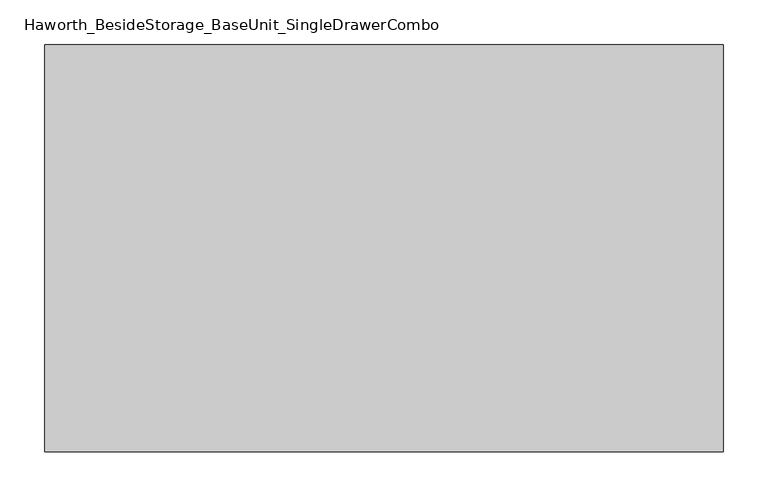
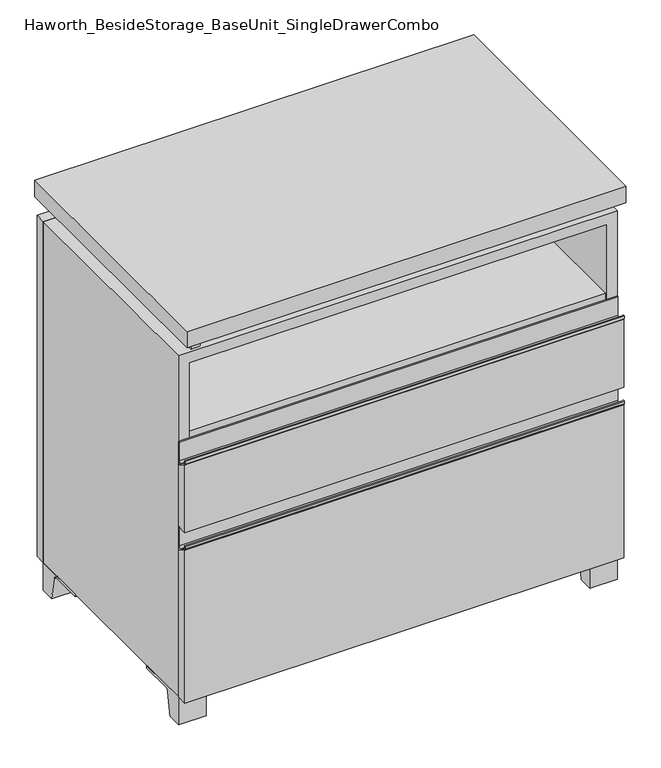
"""IFC4 building model written with IfcOpenShell, lengths in millimetres: furniture geometry, Haworth_BesideStorage_BaseUnit_SingleDrawerCombo."""

from ifc_helpers import new_model, si_unit, point, frame, frame_2d, origin, place, context, project, spatial, polyline, circle_curve, trimmed, segment, composite_curve, outline, extrude, source, transform, mapped, element, save


def haworth_besidestorage_baseunit_singledrawercombo_77f1f556(model_context):
    return source(origin(), model_context, "Body", "SweptSolid", [
        extrude(outline(polyline([(361.9638906, 222.25), (361.9638906, -136.525), (-361.9361094, -136.525), (-361.9361094, 222.25), (361.9638906, 222.25)])), frame((0.0, 0.0, 510.38125), z_axis=(0.0, 0.0, 1.0), x_axis=(1.0, 0.0, 0.0)), (0.0, 0.0, 1.0), 19.05),
        extrude(outline(composite_curve([segment(polyline([(-139.7, 477.04375), (-158.75, 488.15625)]), True, "CONTINUOUS"), segment(trimmed(circle_curve(frame_2d((-157.5501571, 490.2131235)), 2.38125), [point((-158.75, 488.15625))], [point((-159.9314071, 490.2131235))], False, "CARTESIAN"), True, "CONTINUOUS"), segment(polyline([(-159.9314071, 490.2131235), (-159.9314071, 495.3)]), True, "CONTINUOUS"), segment(trimmed(circle_curve(frame_2d((-159.1376571, 495.3)), 0.79375), [point((-159.9314071, 495.3))], [point((-158.3439071, 495.3))], False, "CARTESIAN"), True, "CONTINUOUS"), segment(polyline([(-158.3439071, 495.3), (-158.3439071, 490.2131235)]), True, "CONTINUOUS"), segment(trimmed(circle_curve(frame_2d((-157.5501571, 490.2131235)), 0.79375), [point((-158.3439071, 490.2131235))], [point((-157.9501047, 489.527499))], True, "CARTESIAN"), True, "CONTINUOUS"), segment(polyline([(-157.9501047, 489.527499), (-146.0622905, 482.5929407)]), True, "CONTINUOUS"), segment(trimmed(circle_curve(frame_2d((-144.4625, 485.3354387)), 3.175), [point((-146.0622905, 482.5929407))], [point((-141.2875, 485.3354387))], True, "CARTESIAN"), True, "CONTINUOUS"), segment(polyline([(-141.2875, 485.3354387), (-141.2875, 519.1125)]), True, "CONTINUOUS"), segment(trimmed(circle_curve(frame_2d((-140.49375, 519.1125)), 0.79375), [point((-141.2875, 519.1125))], [point((-139.7, 519.1125))], False, "CARTESIAN"), True, "CONTINUOUS"), segment(polyline([(-139.7, 519.1125), (-139.7, 477.04375)]), True, "CONTINUOUS")], self_intersect=False)), frame((-380.9861094, 0.0, 0.0), z_axis=(1.0, 0.0, 0.0), x_axis=(0.0, 1.0, 0.0)), (0.0, 0.0, 1.0), 762.0),
        extrude(outline(polyline([(-139.7, 363.5375), (-158.75, 363.5375), (-158.75, 488.15625), (-139.7, 477.04375), (-139.7, 363.5375)])), frame((-380.9861094, 0.0, 0.0), z_axis=(1.0, 0.0, 0.0), x_axis=(0.0, 1.0, 0.0)), (0.0, 0.0, 1.0), 762.0),
        extrude(outline(composite_curve([segment(polyline([(-139.7, 320.675), (-158.75, 331.7875)]), True, "CONTINUOUS"), segment(trimmed(circle_curve(frame_2d((-157.5501571, 333.8443735)), 2.38125), [point((-158.75, 331.7875))], [point((-159.9314071, 333.8443735))], False, "CARTESIAN"), True, "CONTINUOUS"), segment(polyline([(-159.9314071, 333.8443735), (-159.9314071, 338.93125)]), True, "CONTINUOUS"), segment(trimmed(circle_curve(frame_2d((-159.1376571, 338.93125)), 0.79375), [point((-159.9314071, 338.93125))], [point((-158.3439071, 338.93125))], False, "CARTESIAN"), True, "CONTINUOUS"), segment(polyline([(-158.3439071, 338.93125), (-158.3439071, 333.8443735)]), True, "CONTINUOUS"), segment(trimmed(circle_curve(frame_2d((-157.5501571, 333.8443735)), 0.79375), [point((-158.3439071, 333.8443735))], [point((-157.9501047, 333.158749))], True, "CARTESIAN"), True, "CONTINUOUS"), segment(polyline([(-157.9501047, 333.158749), (-146.0622905, 326.2241907)]), True, "CONTINUOUS"), segment(trimmed(circle_curve(frame_2d((-144.4625, 328.9666887)), 3.175), [point((-146.0622905, 326.2241907))], [point((-141.2875, 328.9666887))], True, "CARTESIAN"), True, "CONTINUOUS"), segment(polyline([(-141.2875, 328.9666887), (-141.2875, 362.74375)]), True, "CONTINUOUS"), segment(trimmed(circle_curve(frame_2d((-140.49375, 362.74375)), 0.79375), [point((-141.2875, 362.74375))], [point((-139.7, 362.74375))], False, "CARTESIAN"), True, "CONTINUOUS"), segment(polyline([(-139.7, 362.74375), (-139.7, 320.675)]), True, "CONTINUOUS")], self_intersect=False)), frame((-380.9861094, 0.0, 0.0), z_axis=(1.0, 0.0, 0.0), x_axis=(0.0, 1.0, 0.0)), (0.0, 0.0, 1.0), 762.0),
        extrude(outline(polyline([(-139.7, 50.8), (-158.75, 50.8), (-158.75, 331.7875), (-139.7, 320.675), (-139.7, 50.8)])), frame((-380.9861094, 0.0, 0.0), z_axis=(1.0, 0.0, 0.0), x_axis=(0.0, 1.0, 0.0)), (0.0, 0.0, 1.0), 762.0),
        extrude(outline(polyline([(381.0138906, 292.1), (381.0138906, -165.1), (-380.9861094, -165.1), (-380.9861094, 292.1), (381.0138906, 292.1)])), frame((0.0, 0.0, 706.4375), z_axis=(0.0, 0.0, 1.0), x_axis=(1.0, 0.0, 0.0)), (0.0, 0.0, 1.0), 30.1625),
        extrude(outline(composite_curve([segment(polyline([(-114.3000136, 0.0), (-139.7, 0.0), (-139.7, 50.8), (-44.45, 50.8), (-44.45, 46.0213321), (-101.2505345, 46.0213321)]), True, "CONTINUOUS"), segment(trimmed(circle_curve(frame_2d((-101.2505345, 39.6713321)), 6.35), [point((-101.2505345, 46.0213321))], [point((-107.5141359, 40.7152656))], True, "CARTESIAN"), True, "CONTINUOUS"), segment(polyline([(-107.5141359, 40.7152656), (-114.3000136, 0.0)]), True, "CONTINUOUS")], self_intersect=False)), frame((333.3888906, 0.0, 0.0), z_axis=(1.0, 0.0, 0.0), x_axis=(0.0, 1.0, 0.0)), (0.0, 0.0, 1.0), 47.625),
        extrude(outline(composite_curve([segment(polyline([(241.3000136, 0.0), (234.5141359, 40.7152656)]), True, "CONTINUOUS"), segment(trimmed(circle_curve(frame_2d((228.2505345, 39.6713321)), 6.35), [point((234.5141359, 40.7152656))], [point((228.2505345, 46.0213321))], True, "CARTESIAN"), True, "CONTINUOUS"), segment(polyline([(228.2505345, 46.0213321), (171.45, 46.0213321), (171.45, 50.8), (266.7, 50.8), (266.7, 0.0), (241.3000136, 0.0)]), True, "CONTINUOUS")], self_intersect=False)), frame((333.3888906, 0.0, 0.0), z_axis=(1.0, 0.0, 0.0), x_axis=(0.0, 1.0, 0.0)), (0.0, 0.0, 1.0), 47.625),
        extrude(outline(composite_curve([segment(polyline([(-114.3000136, 0.0), (-139.7, 0.0), (-139.7, 50.8), (-44.45, 50.8), (-44.45, 46.0213321), (-101.2505345, 46.0213321)]), True, "CONTINUOUS"), segment(trimmed(circle_curve(frame_2d((-101.2505345, 39.6713321)), 6.35), [point((-101.2505345, 46.0213321))], [point((-107.5141359, 40.7152656))], True, "CARTESIAN"), True, "CONTINUOUS"), segment(polyline([(-107.5141359, 40.7152656), (-114.3000136, 0.0)]), True, "CONTINUOUS")], self_intersect=False)), frame((-380.9861094, 0.0, 0.0), z_axis=(1.0, 0.0, 0.0), x_axis=(0.0, 1.0, 0.0)), (0.0, 0.0, 1.0), 47.625),
        extrude(outline(composite_curve([segment(polyline([(241.3000136, 0.0), (234.5141359, 40.7152656)]), True, "CONTINUOUS"), segment(trimmed(circle_curve(frame_2d((228.2505345, 39.6713321)), 6.35), [point((234.5141359, 40.7152656))], [point((228.2505345, 46.0213321))], True, "CARTESIAN"), True, "CONTINUOUS"), segment(polyline([(228.2505345, 46.0213321), (171.45, 46.0213321), (171.45, 50.8), (266.7, 50.8), (266.7, 0.0), (241.3000136, 0.0)]), True, "CONTINUOUS")], self_intersect=False)), frame((-380.9861094, 0.0, 0.0), z_axis=(1.0, 0.0, 0.0), x_axis=(0.0, 1.0, 0.0)), (0.0, 0.0, 1.0), 47.625),
        extrude(outline(polyline([(-355.5791641, -133.35), (-355.5791641, 234.95), (-339.7041641, 234.95), (-339.7041641, 73.025), (339.7111094, 73.025), (339.7111094, 247.65), (355.5861094, 247.65), (355.5861094, -120.65), (339.7111094, -120.65), (339.7111094, 53.975), (-339.7041641, 53.975), (-339.7041641, -133.35), (-355.5791641, -133.35)])), frame((0.0, 0.0, 676.275), z_axis=(0.0, 0.0, 1.0), x_axis=(1.0, 0.0, 0.0)), (0.0, 0.0, 1.0), 30.1625),
        extrude(outline(polyline([(381.0138906, 266.7), (-380.9861094, 266.7), (-380.9861094, 285.75), (381.0138906, 285.75), (381.0138906, 266.7)])), frame((0.0, 0.0, 50.8), z_axis=(0.0, 0.0, 1.0), x_axis=(1.0, 0.0, 0.0)), (0.0, 0.0, 1.0), 625.475),
        extrude(outline(polyline([(50.8, -380.9861094), (50.8, 381.0), (676.275, 381.0), (676.275, -380.9861094), (50.8, -380.9861094)]), holes=[polyline([(69.85, -361.9361094), (657.225, -361.9361094), (657.225, 361.9361094), (69.85, 361.9361094), (69.85, -361.9361094)])]), frame((0.0, -139.7, 0.0), z_axis=(0.0, 1.0, 0.0), x_axis=(0.0, 0.0, 1.0)), (0.0, 0.0, 1.0), 406.4),
        extrude(outline(polyline([(-361.9291641, 234.95), (-361.9291641, 241.3), (361.9569453, 241.3), (361.9569453, 234.95), (-361.9291641, 234.95)])), frame((0.0, 0.0, 69.85), z_axis=(0.0, 0.0, 1.0), x_axis=(1.0, 0.0, 0.0)), (0.0, 0.0, 1.0), 587.375),
    ])


if __name__ == "__main__":
    model = new_model("IFC4")
    model_context = context("Model", 3, world=origin())
    ifc_project = project(units=[si_unit("LENGTHUNIT", "METRE", prefix="MILLI")], contexts=[model_context])
    site = spatial("IfcSite", under=ifc_project)
    building = spatial("IfcBuilding", under=site)
    placement = place(None, origin())
    haworth_besidestorage_baseunit_singledrawercombo_shape = haworth_besidestorage_baseunit_singledrawercombo_77f1f556(model_context)
    element("IfcFurniture", 1, ObjectType="Haworth_BesideStorage_BaseUnit_SingleDrawerCombo", at=placement, inside=building, context=model_context, shape_type="MappedRepresentation", body=[
        mapped(haworth_besidestorage_baseunit_singledrawercombo_shape, transform((0.0, 0.0, 0.0), x_axis=(1.0, 0.0, 0.0), y_axis=(0.0, 1.0, 0.0), z_axis=(0.0, 0.0, 1.0))),
    ])
    save(model, "model.ifc")
